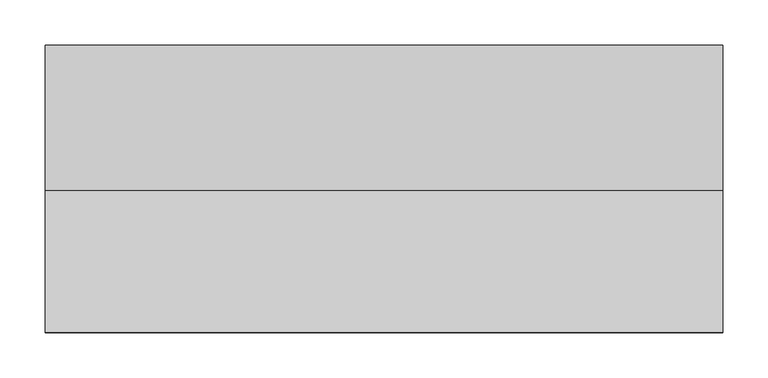
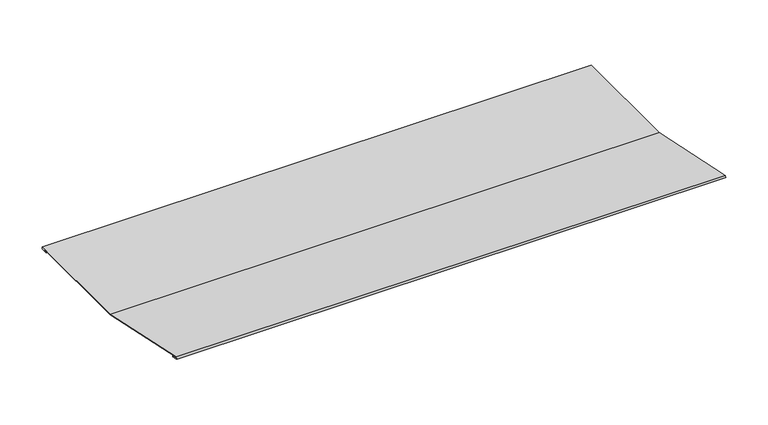
"""IFC4 building model written with IfcOpenShell, lengths in millimetres: proxy geometry."""

from ifc_helpers import new_model, si_unit, frame, origin, place, context, project, spatial, polyline, outline, extrude, source, transform, mapped, element, save


def generic_models_50f1a40c(model_context):
    return source(origin(), model_context, "Body", "SweptSolid", [
        extrude(outline(polyline([(161.617653, 5.0), (161.617653, 2.0), (151.617653, 2.0), (151.617653, 3.0), (160.617653, 3.0), (160.617653, 4.0), (0.4204169, 4.0), (-155.207859, 37.0798112), (-155.4157707, 36.1016636), (-146.6124423, 34.2304584), (-146.820354, 33.2523108), (-156.60183, 35.3314277), (-155.9780949, 38.2658705), (0.5255212, 5.0), (161.617653, 5.0)])), frame((0.0, 0.0, 0.0), z_axis=(1.0, 0.0, 0.0), x_axis=(0.0, 1.0, 0.0)), (0.0, 0.0, 1.0), 750.0),
    ])


if __name__ == "__main__":
    model = new_model("IFC4")
    model_context = context("Model", 3, world=origin())
    ifc_project = project(units=[si_unit("LENGTHUNIT", "METRE", prefix="MILLI")], contexts=[model_context])
    site = spatial("IfcSite", under=ifc_project)
    building = spatial("IfcBuilding", under=site)
    placement = place(None, origin())
    generic_models_shape = generic_models_50f1a40c(model_context)
    element("IfcBuildingElementProxy", 1, Name="Generic Models", at=placement, inside=building, context=model_context, shape_type="MappedRepresentation", body=[
        mapped(generic_models_shape, transform((0.0, 0.0, 0.0), x_axis=(1.0, 0.0, 0.0), y_axis=(0.0, 1.0, 0.0), z_axis=(0.0, 0.0, 1.0))),
    ])
    save(model, "model.ifc")
